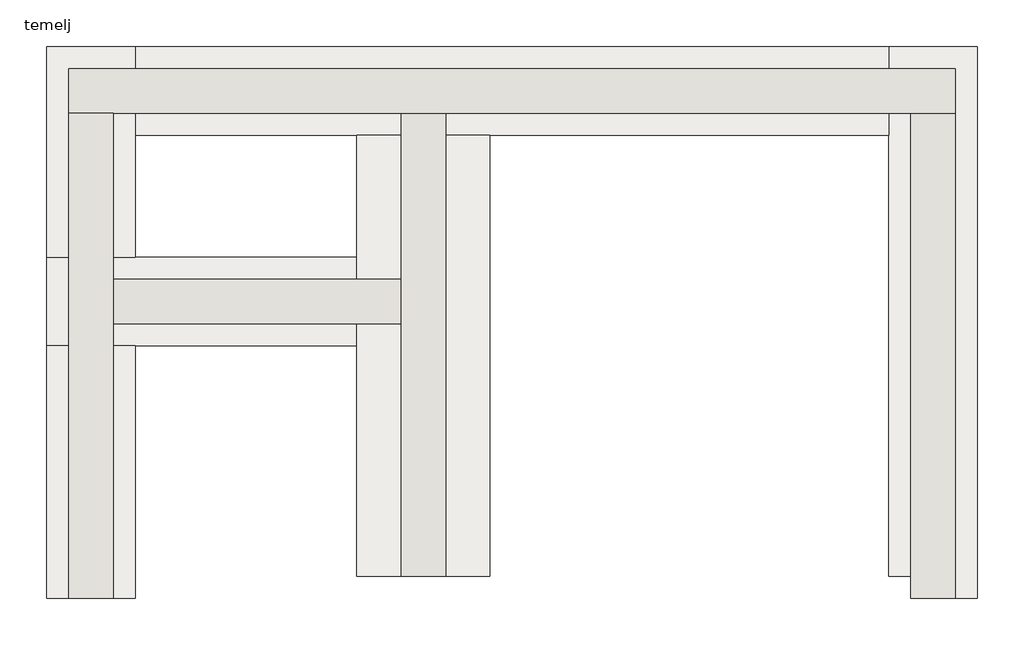
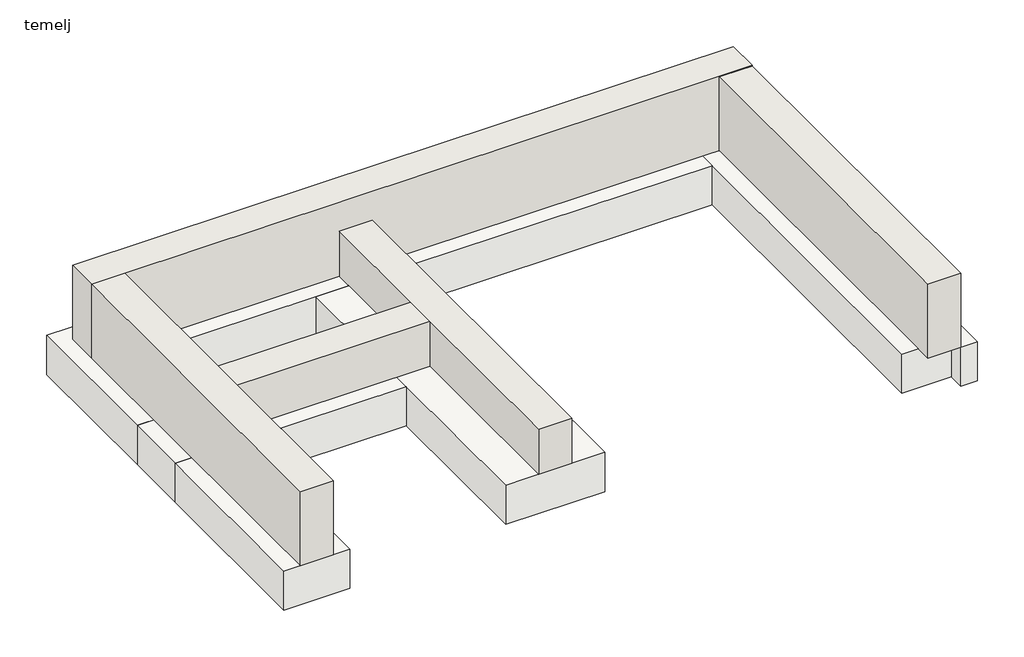
# One storey: 5 footings, 5 walls.
"""IFC4 building model written with IfcOpenShell, lengths in millimetres."""

from ifc_helpers import new_model, si_unit, frame, origin, place, context, project, spatial, polyline, outline, extrude, faceted_brep, element, save

model = new_model("IFC4")

# Units and contexts
model_context = context("Model", 3, world=origin())
ifc_project = project(units=[si_unit("LENGTHUNIT", "METRE", prefix="MILLI")], contexts=[model_context])

# Site, building, storey
site = spatial("IfcSite", under=ifc_project)
building = spatial("IfcBuilding", under=site)
storey = spatial("IfcBuildingStorey", under=building, Name="temelj", Elevation=-950.0)

# Footings
placement = place(None, origin())
element("IfcFooting", 1, ObjectType="Temelj 120 x 50", at=placement, inside=storey, context=model_context, shape_type="Brep", body=[
    faceted_brep([(-9006.0014824, 5907.324143, -950.0), (-10206.0014824, 5907.324143, -950.0), (-10206.0014824, 5907.324143, -1450.0), (-9006.0014824, 5907.324143, -1450.0), (-10206.0014824, 9887.324143, -950.0), (-10206.0014824, 8787.324143, -950.0), (-10206.0014824, 7987.324143, -950.0), (-9006.0014824, 9887.324143, -950.0), (-9006.0014824, 9887.324143, -1450.0), (-10206.0014824, 9887.324143, -1450.0), (-10206.0014824, 7987.324143, -1450.0), (-10206.0014824, 8787.324143, -1450.0)], [[[0, 1, 2, 3]], [[4, 5, 6, 1, 0, 7]], [[8, 7, 0, 3]], [[9, 8, 3, 2, 10, 11]], [[4, 9, 11, 10, 2, 1, 6, 5]], [[4, 7, 8, 9]]]),
])
element("IfcFooting", 2, ObjectType="Temelj 80x50", at=placement, inside=storey, context=model_context, shape_type="Brep", body=[
    faceted_brep([(-4606.0014824, 5707.324143, -1450.0), (-4606.0014824, 5707.324143, -950.0), (-4806.0014824, 5707.324143, -950.0), (-4806.0014824, 5707.324143, -1450.0), (-4606.0014824, 10687.324143, -950.0), (-5406.0014824, 10687.324143, -950.0), (-5406.0014824, 9887.324143, -950.0), (-5406.0014824, 5907.324143, -950.0), (-4806.0014824, 5907.324143, -950.0), (-4606.0014824, 10687.324143, -1450.0), (-4806.0014824, 5907.324143, -1450.0), (-5406.0014824, 5907.324143, -1450.0), (-5406.0014824, 9887.324143, -1450.0), (-5406.0014824, 10687.324143, -1450.0)], [[[0, 1, 2, 3]], [[1, 4, 5, 6, 7, 8, 2]], [[1, 0, 9, 4]], [[9, 0, 3, 10, 11, 12, 13]], [[5, 13, 12, 11, 7, 6]], [[5, 4, 9, 13]], [[8, 10, 3, 2]], [[10, 8, 7, 11]]]),
])
element("IfcFooting", 3, ObjectType="Temelj 80x50", at=placement, inside=storey, context=model_context, shape_type="Brep", body=[
    faceted_brep([(-13006.0014824, 7987.324143, -950.0), (-12206.0014824, 7987.324143, -950.0), (-10206.0014824, 7987.324143, -950.0), (-10206.0014824, 8787.324143, -950.0), (-12206.0014824, 8787.324143, -950.0), (-13006.0014824, 8787.324143, -950.0), (-13006.0014824, 8787.324143, -1450.0), (-10206.0014824, 8787.324143, -1450.0), (-12206.0014824, 8787.324143, -1450.0), (-13006.0014824, 7987.324143, -1450.0), (-10206.0014824, 7987.324143, -1450.0), (-12206.0014824, 7987.324143, -1450.0)], [[[0, 1, 2, 3, 4, 5]], [[6, 5, 4, 3, 7, 8]], [[9, 6, 8, 7, 10, 11]], [[0, 9, 11, 10, 2, 1]], [[0, 5, 6, 9]], [[3, 2, 10, 7]]]),
])
element("IfcFooting", 4, ObjectType="Temelj 80x50", at=placement, inside=storey, context=model_context, shape_type="Brep", body=[
    faceted_brep([(-12206.0014824, 5707.324143, -1450.0), (-12206.0014824, 5707.324143, -950.0), (-13006.0014824, 5707.324143, -950.0), (-13006.0014824, 5707.324143, -1450.0), (-12206.0014824, 7987.324143, -950.0), (-13006.0014824, 7987.324143, -950.0), (-12206.0014824, 7987.324143, -1450.0), (-13006.0014824, 7987.324143, -1450.0)], [[[0, 1, 2, 3]], [[2, 1, 4, 5]], [[1, 0, 6, 4]], [[0, 3, 7, 6]], [[3, 2, 5, 7]], [[5, 4, 6, 7]]]),
    faceted_brep([(-12206.0014824, 10687.324143, -950.0), (-13006.0014824, 10687.324143, -950.0), (-13006.0014824, 8787.324143, -950.0), (-12206.0014824, 8787.324143, -950.0), (-12206.0014824, 9887.324143, -950.0), (-12206.0014824, 10687.324143, -1450.0), (-12206.0014824, 8787.324143, -1450.0), (-12206.0014824, 9887.324143, -1450.0), (-13006.0014824, 10687.324143, -1450.0), (-13006.0014824, 8787.324143, -1450.0)], [[[0, 1, 2, 3, 4]], [[5, 0, 4, 3, 6, 7]], [[8, 5, 7, 6, 9]], [[1, 8, 9, 2]], [[3, 2, 9, 6]], [[1, 0, 5, 8]]]),
])
element("IfcFooting", 5, ObjectType="Temelj 80x50", at=placement, inside=storey, context=model_context, shape_type="Brep", body=[
    faceted_brep([(-5406.0014824, 9887.324143, -950.0), (-5406.0014824, 10687.324143, -950.0), (-12206.0014824, 10687.324143, -950.0), (-12206.0014824, 9887.324143, -950.0), (-10206.0014824, 9887.324143, -950.0), (-9006.0014824, 9887.324143, -950.0), (-5406.0014824, 10687.324143, -1450.0), (-12206.0014824, 10687.324143, -1450.0), (-5406.0014824, 9887.324143, -1450.0), (-9006.0014824, 9887.324143, -1450.0), (-10206.0014824, 9887.324143, -1450.0), (-12206.0014824, 9887.324143, -1450.0)], [[[0, 1, 2, 3, 4, 5]], [[1, 6, 7, 2]], [[6, 8, 9, 10, 11, 7]], [[8, 0, 5, 4, 3, 11, 10, 9]], [[1, 0, 8, 6]], [[3, 2, 7, 11]]]),
])

# Walls
element("IfcWall", 6, at=placement, inside=storey, context=model_context, shape_type="Brep", body=[
    faceted_brep([(-12806.0014824, 10087.324143, -950.0), (-12406.0014824, 10087.324143, -950.0), (-9806.0014824, 10087.324143, -950.0), (-9406.0014824, 10087.324143, -950.0), (-5206.0014824, 10087.324143, -950.0), (-4806.0014824, 10087.324143, -950.0), (-4806.0014824, 10087.324143, -6.7541526), (-4806.0014824, 10087.324143, 0.0), (-5206.0014824, 10087.324143, 0.0), (-9806.0014824, 10087.324143, 0.0), (-12406.0014824, 10087.324143, 0.0), (-12806.0014824, 10087.324143, 0.0), (-12806.0014824, 10487.324143, -950.0), (-12806.0014824, 10487.324143, 0.0), (-9806.0014824, 10487.324143, 0.0), (-4806.0014824, 10487.324143, 0.0), (-4806.0014824, 10487.324143, -950.0)], [[[0, 1, 2, 3, 4, 5, 6, 7, 8, 9, 10, 11]], [[12, 13, 14, 15, 16]], [[5, 4, 3, 2, 1, 0, 12, 16]], [[11, 10, 9, 8, 7, 15, 14, 13]], [[0, 11, 13, 12]], [[7, 6, 5, 16, 15]]]),
])
element("IfcWall", 7, at=placement, inside=storey, context=model_context, shape_type="Brep", body=[
    faceted_brep([(-12806.0014824, 10087.324143, -950.0), (-12806.0014824, 5907.324143, -950.0), (-12806.0014824, 5707.324143, -950.0), (-12806.0014824, 5707.324143, -250.0), (-12806.0014824, 5707.324143, 0.0), (-12806.0014824, 8187.324143, 0.0), (-12806.0014824, 8587.324143, 0.0), (-12806.0014824, 10087.324143, 0.0), (-12406.0014824, 10087.324143, -950.0), (-12406.0014824, 10087.324143, 0.0), (-12406.0014824, 5707.324143, 0.0), (-12406.0014824, 5707.324143, -250.0), (-12406.0014824, 5707.324143, -950.0), (-12406.0014824, 5907.324143, -950.0), (-12406.0014824, 8187.324143, -950.0), (-12406.0014824, 8587.324143, -950.0)], [[[0, 1, 2, 3, 4, 5, 6, 7]], [[8, 9, 10, 11, 12, 13, 14, 15]], [[2, 1, 0, 8, 15, 14, 13, 12]], [[7, 6, 5, 4, 10, 9]], [[0, 7, 9, 8]], [[2, 12, 11, 10, 4, 3]]]),
])
element("IfcWall", 8, at=placement, inside=storey, context=model_context, shape_type="Brep", body=[
    faceted_brep([(-9806.0014824, 10087.324143, -950.0), (-9806.0014824, 8587.324143, -950.0), (-9806.0014824, 8187.324143, -950.0), (-9806.0014824, 5907.324143, -950.0), (-9806.0014824, 5907.324143, -370.0), (-9806.0014824, 8187.324143, -370.0), (-9806.0014824, 8587.324143, -370.0), (-9806.0014824, 10087.324143, -370.0), (-9406.0014824, 10087.324143, -950.0), (-9406.0014824, 10087.324143, -370.0), (-9406.0014824, 5907.324143, -370.0), (-9406.0014824, 5907.324143, -950.0)], [[[0, 1, 2, 3, 4, 5, 6, 7]], [[8, 9, 10, 11]], [[3, 2, 1, 0, 8, 11]], [[0, 7, 9, 8]], [[4, 3, 11, 10]], [[7, 6, 5, 4, 10, 9]]]),
])
element("IfcWall", 9, at=placement, inside=storey, context=model_context, shape_type="Brep", body=[
    faceted_brep([(-5206.0014824, 10087.324143, -950.0), (-5206.0014824, 5707.324143, -950.0), (-5206.0014824, 5707.324143, -6.7541526), (-5206.0014824, 10087.324143, -6.7541526), (-4806.0014824, 10087.324143, -950.0), (-4806.0014824, 10087.324143, -6.7541526), (-4806.0014824, 5707.324143, -6.7541526), (-4806.0014824, 5707.324143, -950.0), (-5006.0014824, 5707.324143, -6.7541526)], [[[0, 1, 2, 3]], [[4, 5, 6, 7]], [[1, 0, 4, 7]], [[2, 1, 7, 6, 8]], [[0, 3, 5, 4]], [[3, 2, 8, 6, 5]]]),
])
element("IfcWall", 10, at=placement, inside=storey, context=model_context, shape_type="SweptSolid", body=[
    extrude(outline(polyline([(-9806.0014824, 8187.324143), (-12406.0014824, 8187.324143), (-12406.0014824, 8587.324143), (-9806.0014824, 8587.324143), (-9806.0014824, 8187.324143)])), frame((0.0, 0.0, -950.0), z_axis=(0.0, 0.0, 1.0), x_axis=(1.0, 0.0, 0.0)), (0.0, 0.0, 1.0), 580.0),
])

save(model, "model.ifc")
